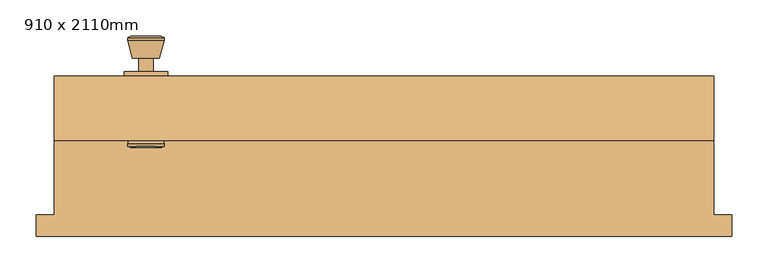
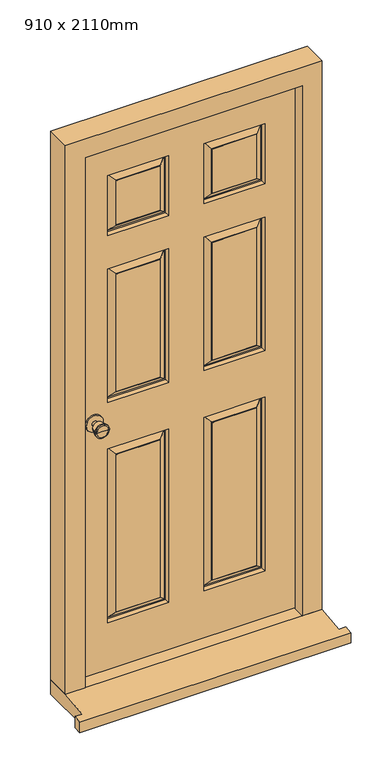
"""IFC4 building model written with IfcOpenShell, lengths in millimetres: door geometry, 910 x 2110mm."""

from ifc_helpers import new_model, si_unit, point, frame, frame_2d, origin, place, context, project, spatial, polyline, circle_curve, trimmed, segment, composite_curve, outline, extrude, faceted_brep, source, transform, mapped, element, save
from ifc_brep_helpers import plane_surface, cylinder_surface, revolved_surface, advanced_brep


def door_910_x_2110mm_2b626780(model_context):
    return source(origin(), model_context, "Body", "SolidModel", [
        advanced_brep(
        [(-328.5, 97.5, 1000.0), (-338.5, 97.5, 1000.0), (-318.5, 97.5, 1000.0), (-308.0241324, 146.5, 1000.0), (-348.9758676, 146.5, 1000.0), (-328.5, 146.5, 1000.0), (-303.5, 144.6721319, 1000.0), (-353.5, 144.6721319, 1000.0), (-303.5, 141.2084537, 1000.0), (-353.5, 141.2084537, 1000.0), (-309.863764, 116.5, 1000.0), (-347.136236, 116.5, 1000.0), (-318.5, 116.5, 1000.0), (-338.5, 116.5, 1000.0)],
        [
            (0, 1),
            (1, 2, circle_curve(frame((-328.5, 97.5, 1000.0), z_axis=(0.0, -1.0, 0.0), x_axis=(-1.0, 0.0, 0.0)), 10.0)),
            (2, 0),
            (2, 1, circle_curve(frame((-328.5, 97.5, 1000.0), z_axis=(0.0, -1.0, 0.0), x_axis=(-1.0, 0.0, 0.0)), 10.0)),
            (3, 4, circle_curve(frame((-328.5, 146.5, 1000.0), z_axis=(0.0, 1.0, 0.0), x_axis=(-1.0, 0.0, 0.0)), 20.4758676)),
            (4, 5),
            (5, 3),
            (4, 3, circle_curve(frame((-328.5, 146.5, 1000.0), z_axis=(0.0, 1.0, 0.0), x_axis=(-1.0, 0.0, 0.0)), 20.4758676)),
            (6, 7, circle_curve(frame((-328.5, 144.6721319, 1000.0), z_axis=(0.0, 1.0, 0.0), x_axis=(-1.0, 0.0, 0.0)), 25.0)),
            (7, 4),
            (3, 6),
            (7, 6, circle_curve(frame((-328.5, 144.6721319, 1000.0), z_axis=(0.0, 1.0, 0.0), x_axis=(-1.0, 0.0, 0.0)), 25.0)),
            (8, 9, circle_curve(frame((-328.5, 141.2084537, 1000.0), z_axis=(0.0, 1.0, 0.0), x_axis=(-1.0, 0.0, 0.0)), 25.0)),
            (9, 7),
            (6, 8),
            (9, 8, circle_curve(frame((-328.5, 141.2084537, 1000.0), z_axis=(0.0, 1.0, 0.0), x_axis=(-1.0, 0.0, 0.0)), 25.0)),
            (10, 11, circle_curve(frame((-328.5, 116.5, 1000.0), z_axis=(0.0, 1.0, 0.0), x_axis=(-1.0, 0.0, 0.0)), 18.636236)),
            (11, 9),
            (8, 10),
            (11, 10, circle_curve(frame((-328.5, 116.5, 1000.0), z_axis=(0.0, 1.0, 0.0), x_axis=(-1.0, 0.0, 0.0)), 18.636236)),
            (12, 13, circle_curve(frame((-328.5, 116.5, 1000.0), z_axis=(0.0, 1.0, 0.0), x_axis=(-1.0, 0.0, 0.0)), 10.0)),
            (13, 11),
            (10, 12),
            (13, 12, circle_curve(frame((-328.5, 116.5, 1000.0), z_axis=(0.0, 1.0, 0.0), x_axis=(-1.0, 0.0, 0.0)), 10.0)),
            (1, 13),
            (12, 2),
        ],
        [
            plane_surface(frame((-328.5, 97.5, 1000.0), z_axis=(0.0, -1.0, 0.0), x_axis=(-1.0, 0.0, 0.0))),
            plane_surface(frame((-328.5, 146.5, 1000.0), z_axis=(0.0, 1.0, 0.0), x_axis=(-1.0, 0.0, 0.0))),
            revolved_surface(polyline([(-348.9758676, 146.5, 1000.0), (-353.5, 144.6721319, 1000.0)]), (-328.5, 97.5, 1000.0), (0.0, -1.0, 0.0)),
            cylinder_surface(frame((-328.5, 97.5, 1000.0), z_axis=(0.0, -1.0, 0.0), x_axis=(-1.0, 0.0, 0.0)), 25.0),
            revolved_surface(polyline([(-353.5, 141.2084537, 1000.0), (-347.136236, 116.5, 1000.0)]), (-328.5, 97.5, 1000.0), (0.0, -1.0, 0.0)),
            plane_surface(frame((-328.5, 116.5, 1000.0), z_axis=(0.0, -1.0, 0.0), x_axis=(-1.0, 0.0, 0.0))),
            cylinder_surface(frame((-328.5, 97.5, 1000.0), z_axis=(0.0, -1.0, 0.0), x_axis=(-1.0, 0.0, 0.0)), 10.0),
        ],
        [
            (0, [[1, 2, 3]]),
            (0, [[-3, 4, -1]]),
            (1, [[5, 6, 7]]),
            (1, [[8, -7, -6]]),
            (2, [[9, 10, -5, 11]]),
            (2, [[12, -11, -8, -10]]),
            (3, [[13, 14, -9, 15]]),
            (3, [[16, -15, -12, -14]]),
            (4, [[17, 18, -13, 19]]),
            (4, [[20, -19, -16, -18]]),
            (5, [[21, 22, -17, 23]]),
            (5, [[24, -23, -20, -22]]),
            (6, [[-2, 25, -21, 26]]),
            (6, [[-4, -26, -24, -25]]),
        ],
    ),
        extrude(outline(composite_curve([segment(trimmed(circle_curve(frame_2d((1000.0, -328.5)), 30.0), [point((1000.0, -358.5))], [point((1000.0, -298.5))], False, "CARTESIAN"), True, "CONTINUOUS"), segment(trimmed(circle_curve(frame_2d((1000.0, -328.5)), 30.0), [point((1000.0, -298.5))], [point((1000.0, -358.5))], False, "CARTESIAN"), True, "CONTINUOUS")], self_intersect=False)), frame((0.0, 91.5, 0.0), z_axis=(0.0, 1.0, 0.0), x_axis=(0.0, 0.0, 1.0)), (0.0, 0.0, 1.0), 6.0),
        advanced_brep(
        [(-328.5, 41.5, 1000.0), (-318.5, 41.5, 1000.0), (-338.5, 41.5, 1000.0), (-308.0241324, -7.5, 1000.0), (-328.5, -7.5, 1000.0), (-348.9758676, -7.5, 1000.0), (-303.5, -5.6721319, 1000.0), (-353.5, -5.6721319, 1000.0), (-303.5, -2.2084537, 1000.0), (-353.5, -2.2084537, 1000.0), (-309.863764, 22.5, 1000.0), (-347.136236, 22.5, 1000.0), (-318.5, 22.5, 1000.0), (-338.5, 22.5, 1000.0)],
        [
            (0, 1),
            (1, 2, circle_curve(frame((-328.5, 41.5, 1000.0), z_axis=(0.0, 1.0, 0.0), x_axis=(-1.0, 0.0, 0.0)), 10.0)),
            (2, 0),
            (2, 1, circle_curve(frame((-328.5, 41.5, 1000.0), z_axis=(0.0, 1.0, 0.0), x_axis=(-1.0, 0.0, 0.0)), 10.0)),
            (3, 4),
            (4, 5),
            (5, 3, circle_curve(frame((-328.5, -7.5, 1000.0), z_axis=(0.0, -1.0, 0.0), x_axis=(-1.0, 0.0, 0.0)), 20.4758676)),
            (3, 5, circle_curve(frame((-328.5, -7.5, 1000.0), z_axis=(0.0, -1.0, 0.0), x_axis=(-1.0, 0.0, 0.0)), 20.4758676)),
            (6, 3),
            (5, 7),
            (7, 6, circle_curve(frame((-328.5, -5.6721319, 1000.0), z_axis=(0.0, -1.0, 0.0), x_axis=(-1.0, 0.0, 0.0)), 25.0)),
            (6, 7, circle_curve(frame((-328.5, -5.6721319, 1000.0), z_axis=(0.0, -1.0, 0.0), x_axis=(-1.0, 0.0, 0.0)), 25.0)),
            (8, 6),
            (7, 9),
            (9, 8, circle_curve(frame((-328.5, -2.2084537, 1000.0), z_axis=(0.0, -1.0, 0.0), x_axis=(-1.0, 0.0, 0.0)), 25.0)),
            (8, 9, circle_curve(frame((-328.5, -2.2084537, 1000.0), z_axis=(0.0, -1.0, 0.0), x_axis=(-1.0, 0.0, 0.0)), 25.0)),
            (10, 8),
            (9, 11),
            (11, 10, circle_curve(frame((-328.5, 22.5, 1000.0), z_axis=(0.0, -1.0, 0.0), x_axis=(-1.0, 0.0, 0.0)), 18.636236)),
            (10, 11, circle_curve(frame((-328.5, 22.5, 1000.0), z_axis=(0.0, -1.0, 0.0), x_axis=(-1.0, 0.0, 0.0)), 18.636236)),
            (12, 10),
            (11, 13),
            (13, 12, circle_curve(frame((-328.5, 22.5, 1000.0), z_axis=(0.0, -1.0, 0.0), x_axis=(-1.0, 0.0, 0.0)), 10.0)),
            (12, 13, circle_curve(frame((-328.5, 22.5, 1000.0), z_axis=(0.0, -1.0, 0.0), x_axis=(-1.0, 0.0, 0.0)), 10.0)),
            (1, 12),
            (13, 2),
        ],
        [
            plane_surface(frame((-328.5, 41.5, 1000.0), z_axis=(0.0, 1.0, 0.0), x_axis=(-1.0, 0.0, 0.0))),
            plane_surface(frame((-328.5, -7.5, 1000.0), z_axis=(0.0, -1.0, 0.0), x_axis=(-1.0, 0.0, 0.0))),
            revolved_surface(polyline([(-348.9758676, -7.5, 1000.0), (-353.5, -5.6721319, 1000.0)]), (-328.5, 41.5, 1000.0), (0.0, 1.0, 0.0)),
            cylinder_surface(frame((-328.5, 41.5, 1000.0), z_axis=(0.0, 1.0, 0.0), x_axis=(-1.0, 0.0, 0.0)), 25.0),
            revolved_surface(polyline([(-353.5, -2.2084537, 1000.0), (-347.136236, 22.5, 1000.0)]), (-328.5, 41.5, 1000.0), (0.0, 1.0, 0.0)),
            plane_surface(frame((-328.5, 22.5, 1000.0), z_axis=(0.0, 1.0, 0.0), x_axis=(-1.0, 0.0, 0.0))),
            cylinder_surface(frame((-328.5, 41.5, 1000.0), z_axis=(0.0, 1.0, 0.0), x_axis=(-1.0, 0.0, 0.0)), 10.0),
        ],
        [
            (0, [[1, 2, 3]]),
            (0, [[-3, 4, -1]]),
            (1, [[5, 6, 7]]),
            (1, [[-6, -5, 8]]),
            (2, [[9, -7, 10, 11]]),
            (2, [[-10, -8, -9, 12]]),
            (3, [[13, -11, 14, 15]]),
            (3, [[-14, -12, -13, 16]]),
            (4, [[17, -15, 18, 19]]),
            (4, [[-18, -16, -17, 20]]),
            (5, [[21, -19, 22, 23]]),
            (5, [[-22, -20, -21, 24]]),
            (6, [[25, -23, 26, -2]]),
            (6, [[-26, -24, -25, -4]]),
        ],
    ),
        extrude(outline(composite_curve([segment(trimmed(circle_curve(frame_2d((1000.0, -328.5)), 30.0), [point((1000.0, -358.5))], [point((1000.0, -298.5))], False, "CARTESIAN"), True, "CONTINUOUS"), segment(trimmed(circle_curve(frame_2d((1000.0, -328.5)), 30.0), [point((1000.0, -298.5))], [point((1000.0, -358.5))], False, "CARTESIAN"), True, "CONTINUOUS")], self_intersect=False)), frame((0.0, 41.5, 0.0), z_axis=(0.0, 1.0, 0.0), x_axis=(0.0, 0.0, 1.0)), (0.0, 0.0, 1.0), 6.0),
        faceted_brep([(384.5, 2.5, 54.5), (384.5, 44.5, 54.5), (406.5, 44.5, 54.5), (406.5, 91.5, 54.5), (455.0, 91.5, 54.5), (455.0, 2.5, 54.5), (455.0, 2.5, 2110.0), (-455.0, 2.5, 2110.0), (-455.0, 2.5, 54.5), (-384.5, 2.5, 54.5), (-384.5, 2.5, 2039.5), (384.5, 2.5, 2039.5), (455.0, 91.5, 2110.0), (406.5, 91.5, 2061.5), (-406.5, 91.5, 2061.5), (-406.5, 91.5, 54.5), (-455.0, 91.5, 54.5), (-455.0, 91.5, 2110.0), (406.5, 44.5, 2061.5), (384.5, 44.5, 2039.5), (-384.5, 44.5, 2039.5), (-384.5, 44.5, 54.5), (-406.5, 44.5, 54.5), (-406.5, 44.5, 2061.5)], [[[0, 1, 2, 3, 4, 5]], [[5, 6, 7, 8, 9, 10, 11, 0]], [[4, 12, 6, 5]], [[3, 13, 14, 15, 16, 17, 12, 4]], [[2, 18, 13, 3]], [[1, 19, 20, 21, 22, 23, 18, 2]], [[0, 11, 19, 1]], [[9, 21, 20, 10]], [[8, 16, 15, 22, 21, 9]], [[7, 17, 16, 8]], [[14, 23, 22, 15]], [[6, 12, 17, 7]], [[13, 18, 23, 14]], [[10, 20, 19, 11]]]),
        faceted_brep([(480.0, -130.0, 0.0), (480.0, -100.0, 0.0), (480.0, -100.0, 42.1959171), (480.0, -130.0, 38.5947221), (-480.0, -130.0, 38.5947221), (-480.0, -100.0, 42.1959171), (-480.0, -100.0, 0.0), (-480.0, -130.0, 0.0), (-455.0, -100.0, 0.0), (-455.0, 91.5, 0.0), (455.0, 91.5, 0.0), (455.0, -100.0, 0.0), (455.0, -100.0, 42.1959171), (455.0, 2.5, 54.5), (-455.0, 2.5, 54.5), (-455.0, -100.0, 42.1959171), (455.0, 91.5, 54.5), (-455.0, 91.5, 54.5)], [[[0, 1, 2, 3]], [[4, 5, 6, 7]], [[7, 6, 8, 9, 10, 11, 1, 0]], [[3, 4, 7, 0]], [[3, 2, 12, 13, 14, 15, 5, 4]], [[14, 13, 16, 17]], [[17, 16, 10, 9]], [[15, 14, 17, 9, 8]], [[8, 6, 5, 15]], [[11, 10, 16, 13, 12]], [[12, 2, 1, 11]]]),
        faceted_brep([(403.5, 91.5, 58.5), (-404.4250294, 91.5, 58.5), (-404.4250294, 91.5, 2058.5), (403.5, 91.5, 2058.5), (-62.5, 91.5, 883.5), (-278.5, 91.5, 883.5), (-278.5, 91.5, 233.5), (-62.5, 91.5, 233.5), (278.5, 91.5, 883.5), (62.5, 91.5, 883.5), (62.5, 91.5, 233.5), (278.5, 91.5, 233.5), (-62.5, 91.5, 1558.5), (-278.5, 91.5, 1558.5), (-278.5, 91.5, 1058.5), (-62.5, 91.5, 1058.5), (278.5, 91.5, 1558.5), (62.5, 91.5, 1558.5), (62.5, 91.5, 1058.5), (278.5, 91.5, 1058.5), (-62.5, 91.5, 1908.5), (-278.5, 91.5, 1908.5), (-278.5, 91.5, 1683.5), (-62.5, 91.5, 1683.5), (62.5, 91.5, 1683.5), (278.5, 91.5, 1683.5), (278.5, 91.5, 1908.5), (62.5, 91.5, 1908.5), (-92.5, 91.5, 263.5), (-248.5, 91.5, 263.5), (-248.5, 91.5, 853.5), (-92.5, 91.5, 853.5), (248.5, 91.5, 263.5), (92.5, 91.5, 263.5), (92.5, 91.5, 853.5), (248.5, 91.5, 853.5), (-92.5, 91.5, 1088.5), (-248.5, 91.5, 1088.5), (-248.5, 91.5, 1528.5), (-92.5, 91.5, 1528.5), (248.5, 91.5, 1088.5), (92.5, 91.5, 1088.5), (92.5, 91.5, 1528.5), (248.5, 91.5, 1528.5), (-92.5, 91.5, 1713.5), (-248.5, 91.5, 1713.5), (-248.5, 91.5, 1878.5), (-92.5, 91.5, 1878.5), (92.5, 91.5, 1878.5), (248.5, 91.5, 1878.5), (248.5, 91.5, 1713.5), (92.5, 91.5, 1713.5), (403.5, 47.5, 58.5), (403.5, 47.5, 2058.5), (-404.4250294, 47.5, 2058.5), (-404.4250294, 47.5, 58.5), (62.5, 47.5, 883.5), (278.5, 47.5, 883.5), (278.5, 47.5, 233.5), (62.5, 47.5, 233.5), (-278.5, 47.5, 883.5), (-62.5, 47.5, 883.5), (-62.5, 47.5, 233.5), (-278.5, 47.5, 233.5), (62.5, 47.5, 1558.5), (278.5, 47.5, 1558.5), (278.5, 47.5, 1058.5), (62.5, 47.5, 1058.5), (-278.5, 47.5, 1558.5), (-62.5, 47.5, 1558.5), (-62.5, 47.5, 1058.5), (-278.5, 47.5, 1058.5), (62.5, 47.5, 1908.5), (278.5, 47.5, 1908.5), (278.5, 47.5, 1683.5), (62.5, 47.5, 1683.5), (-278.5, 47.5, 1908.5), (-62.5, 47.5, 1908.5), (-62.5, 47.5, 1683.5), (-278.5, 47.5, 1683.5), (92.5, 47.5, 263.5), (248.5, 47.5, 263.5), (248.5, 47.5, 853.5), (92.5, 47.5, 853.5), (-248.5, 47.5, 263.5), (-92.5, 47.5, 263.5), (-92.5, 47.5, 853.5), (-248.5, 47.5, 853.5), (92.5, 47.5, 1088.5), (248.5, 47.5, 1088.5), (248.5, 47.5, 1528.5), (92.5, 47.5, 1528.5), (-248.5, 47.5, 1088.5), (-92.5, 47.5, 1088.5), (-92.5, 47.5, 1528.5), (-248.5, 47.5, 1528.5), (92.5, 47.5, 1713.5), (248.5, 47.5, 1713.5), (248.5, 47.5, 1878.5), (92.5, 47.5, 1878.5), (-248.5, 47.5, 1713.5), (-92.5, 47.5, 1713.5), (-92.5, 47.5, 1878.5), (-248.5, 47.5, 1878.5), (65.5, 62.5, 880.5), (65.5, 62.5, 236.5), (90.5, 48.5, 855.5), (70.5, 62.5, 875.5), (70.5, 62.5, 241.5), (90.5, 48.5, 261.5), (92.5, 48.5, 853.5), (92.5, 48.5, 263.5), (275.5, 62.5, 236.5), (270.5, 62.5, 241.5), (250.5, 48.5, 261.5), (248.5, 48.5, 263.5), (275.5, 62.5, 880.5), (270.5, 62.5, 875.5), (250.5, 48.5, 855.5), (248.5, 48.5, 853.5), (-275.5, 62.5, 880.5), (-275.5, 62.5, 236.5), (-250.5, 48.5, 855.5), (-270.5, 62.5, 875.5), (-270.5, 62.5, 241.5), (-250.5, 48.5, 261.5), (-248.5, 48.5, 853.5), (-248.5, 48.5, 263.5), (-65.5, 62.5, 236.5), (-70.5, 62.5, 241.5), (-90.5, 48.5, 261.5), (-92.5, 48.5, 263.5), (-65.5, 62.5, 880.5), (-70.5, 62.5, 875.5), (-90.5, 48.5, 855.5), (-92.5, 48.5, 853.5), (-92.5, 90.5, 263.5), (-92.5, 90.5, 853.5), (-70.5, 76.5, 241.5), (-90.5, 90.5, 261.5), (-90.5, 90.5, 855.5), (-70.5, 76.5, 875.5), (-65.5, 76.5, 236.5), (-65.5, 76.5, 880.5), (-248.5, 90.5, 853.5), (-250.5, 90.5, 855.5), (-270.5, 76.5, 875.5), (-275.5, 76.5, 880.5), (-248.5, 90.5, 263.5), (-250.5, 90.5, 261.5), (-270.5, 76.5, 241.5), (-275.5, 76.5, 236.5), (275.5, 76.5, 880.5), (275.5, 76.5, 236.5), (250.5, 90.5, 855.5), (270.5, 76.5, 875.5), (270.5, 76.5, 241.5), (250.5, 90.5, 261.5), (248.5, 90.5, 853.5), (248.5, 90.5, 263.5), (65.5, 76.5, 236.5), (70.5, 76.5, 241.5), (90.5, 90.5, 261.5), (92.5, 90.5, 263.5), (65.5, 76.5, 880.5), (70.5, 76.5, 875.5), (90.5, 90.5, 855.5), (92.5, 90.5, 853.5), (92.5, 48.5, 1088.5), (92.5, 48.5, 1528.5), (70.5, 62.5, 1066.5), (90.5, 48.5, 1086.5), (90.5, 48.5, 1530.5), (70.5, 62.5, 1550.5), (65.5, 62.5, 1061.5), (65.5, 62.5, 1555.5), (248.5, 48.5, 1528.5), (250.5, 48.5, 1530.5), (270.5, 62.5, 1550.5), (275.5, 62.5, 1555.5), (248.5, 48.5, 1088.5), (250.5, 48.5, 1086.5), (270.5, 62.5, 1066.5), (275.5, 62.5, 1061.5), (-248.5, 48.5, 1088.5), (-248.5, 48.5, 1528.5), (-270.5, 62.5, 1066.5), (-250.5, 48.5, 1086.5), (-250.5, 48.5, 1530.5), (-270.5, 62.5, 1550.5), (-275.5, 62.5, 1061.5), (-275.5, 62.5, 1555.5), (-92.5, 48.5, 1528.5), (-90.5, 48.5, 1530.5), (-70.5, 62.5, 1550.5), (-65.5, 62.5, 1555.5), (-92.5, 48.5, 1088.5), (-90.5, 48.5, 1086.5), (-70.5, 62.5, 1066.5), (-65.5, 62.5, 1061.5), (-92.5, 90.5, 1088.5), (-92.5, 90.5, 1528.5), (-70.5, 76.5, 1066.5), (-90.5, 90.5, 1086.5), (-90.5, 90.5, 1530.5), (-70.5, 76.5, 1550.5), (-65.5, 76.5, 1061.5), (-65.5, 76.5, 1555.5), (-248.5, 90.5, 1528.5), (-250.5, 90.5, 1530.5), (-270.5, 76.5, 1550.5), (-275.5, 76.5, 1555.5), (-248.5, 90.5, 1088.5), (-250.5, 90.5, 1086.5), (-270.5, 76.5, 1066.5), (-275.5, 76.5, 1061.5), (275.5, 76.5, 1555.5), (275.5, 76.5, 1061.5), (250.5, 90.5, 1530.5), (270.5, 76.5, 1550.5), (270.5, 76.5, 1066.5), (250.5, 90.5, 1086.5), (248.5, 90.5, 1528.5), (248.5, 90.5, 1088.5), (65.5, 76.5, 1061.5), (70.5, 76.5, 1066.5), (90.5, 90.5, 1086.5), (92.5, 90.5, 1088.5), (65.5, 76.5, 1555.5), (70.5, 76.5, 1550.5), (90.5, 90.5, 1530.5), (92.5, 90.5, 1528.5), (92.5, 48.5, 1713.5), (92.5, 48.5, 1878.5), (70.5, 62.5, 1691.5), (90.5, 48.5, 1711.5), (90.5, 48.5, 1880.5), (70.5, 62.5, 1900.5), (65.5, 62.5, 1686.5), (65.5, 62.5, 1905.5), (248.5, 48.5, 1878.5), (250.5, 48.5, 1880.5), (270.5, 62.5, 1900.5), (275.5, 62.5, 1905.5), (248.5, 48.5, 1713.5), (250.5, 48.5, 1711.5), (270.5, 62.5, 1691.5), (275.5, 62.5, 1686.5), (-248.5, 48.5, 1713.5), (-248.5, 48.5, 1878.5), (-270.5, 62.5, 1691.5), (-250.5, 48.5, 1711.5), (-250.5, 48.5, 1880.5), (-270.5, 62.5, 1900.5), (-275.5, 62.5, 1686.5), (-275.5, 62.5, 1905.5), (-92.5, 48.5, 1878.5), (-90.5, 48.5, 1880.5), (-70.5, 62.5, 1900.5), (-65.5, 62.5, 1905.5), (-92.5, 48.5, 1713.5), (-90.5, 48.5, 1711.5), (-70.5, 62.5, 1691.5), (-65.5, 62.5, 1686.5), (-92.5, 90.5, 1713.5), (-92.5, 90.5, 1878.5), (-70.5, 76.5, 1691.5), (-90.5, 90.5, 1711.5), (-90.5, 90.5, 1880.5), (-70.5, 76.5, 1900.5), (-65.5, 76.5, 1686.5), (-65.5, 76.5, 1905.5), (-248.5, 90.5, 1878.5), (-250.5, 90.5, 1880.5), (-270.5, 76.5, 1900.5), (-275.5, 76.5, 1905.5), (-248.5, 90.5, 1713.5), (-250.5, 90.5, 1711.5), (-270.5, 76.5, 1691.5), (-275.5, 76.5, 1686.5), (92.5, 90.5, 1878.5), (92.5, 90.5, 1713.5), (70.5, 76.5, 1900.5), (90.5, 90.5, 1880.5), (90.5, 90.5, 1711.5), (70.5, 76.5, 1691.5), (65.5, 76.5, 1905.5), (65.5, 76.5, 1686.5), (248.5, 90.5, 1713.5), (250.5, 90.5, 1711.5), (270.5, 76.5, 1691.5), (275.5, 76.5, 1686.5), (248.5, 90.5, 1878.5), (250.5, 90.5, 1880.5), (270.5, 76.5, 1900.5), (275.5, 76.5, 1905.5)], [[[0, 1, 2, 3], [4, 5, 6, 7], [8, 9, 10, 11], [12, 13, 14, 15], [16, 17, 18, 19], [20, 21, 22, 23], [24, 25, 26, 27]], [[28, 29, 30, 31]], [[32, 33, 34, 35]], [[36, 37, 38, 39]], [[40, 41, 42, 43]], [[44, 45, 46, 47]], [[48, 49, 50, 51]], [[52, 53, 54, 55], [56, 57, 58, 59], [60, 61, 62, 63], [64, 65, 66, 67], [68, 69, 70, 71], [72, 73, 74, 75], [76, 77, 78, 79]], [[80, 81, 82, 83]], [[84, 85, 86, 87]], [[88, 89, 90, 91]], [[92, 93, 94, 95]], [[96, 97, 98, 99]], [[100, 101, 102, 103]], [[3, 53, 52, 0]], [[2, 54, 53, 3]], [[1, 55, 54, 2]], [[0, 52, 55, 1]], [[104, 56, 59, 105]], [[106, 107, 108, 109]], [[80, 83, 110, 111]], [[59, 58, 112, 105]], [[108, 113, 114, 109]], [[111, 115, 81, 80]], [[58, 57, 116, 112]], [[113, 117, 118, 114]], [[115, 119, 82, 81]], [[104, 116, 57, 56]], [[105, 112, 116, 104], [107, 117, 113, 108]], [[106, 118, 117, 107]], [[109, 114, 118, 106], [110, 119, 115, 111]], [[83, 82, 119, 110]], [[120, 60, 63, 121]], [[122, 123, 124, 125]], [[84, 87, 126, 127]], [[63, 62, 128, 121]], [[124, 129, 130, 125]], [[127, 131, 85, 84]], [[62, 61, 132, 128]], [[129, 133, 134, 130]], [[131, 135, 86, 85]], [[120, 132, 61, 60]], [[121, 128, 132, 120], [123, 133, 129, 124]], [[122, 134, 133, 123]], [[125, 130, 134, 122], [126, 135, 131, 127]], [[87, 86, 135, 126]], [[136, 28, 31, 137]], [[138, 139, 140, 141]], [[4, 7, 142, 143]], [[31, 30, 144, 137]], [[140, 145, 146, 141]], [[143, 147, 5, 4]], [[30, 29, 148, 144]], [[145, 149, 150, 146]], [[147, 151, 6, 5]], [[136, 148, 29, 28]], [[139, 149, 145, 140], [137, 144, 148, 136]], [[138, 150, 149, 139]], [[142, 151, 147, 143], [141, 146, 150, 138]], [[7, 6, 151, 142]], [[152, 8, 11, 153]], [[154, 155, 156, 157]], [[32, 35, 158, 159]], [[11, 10, 160, 153]], [[156, 161, 162, 157]], [[159, 163, 33, 32]], [[10, 9, 164, 160]], [[161, 165, 166, 162]], [[163, 167, 34, 33]], [[152, 164, 9, 8]], [[153, 160, 164, 152], [155, 165, 161, 156]], [[154, 166, 165, 155]], [[157, 162, 166, 154], [158, 167, 163, 159]], [[35, 34, 167, 158]], [[168, 88, 91, 169]], [[170, 171, 172, 173]], [[64, 67, 174, 175]], [[91, 90, 176, 169]], [[172, 177, 178, 173]], [[175, 179, 65, 64]], [[90, 89, 180, 176]], [[177, 181, 182, 178]], [[179, 183, 66, 65]], [[168, 180, 89, 88]], [[171, 181, 177, 172], [169, 176, 180, 168]], [[170, 182, 181, 171]], [[174, 183, 179, 175], [173, 178, 182, 170]], [[67, 66, 183, 174]], [[184, 92, 95, 185]], [[186, 187, 188, 189]], [[68, 71, 190, 191]], [[95, 94, 192, 185]], [[188, 193, 194, 189]], [[191, 195, 69, 68]], [[94, 93, 196, 192]], [[193, 197, 198, 194]], [[195, 199, 70, 69]], [[184, 196, 93, 92]], [[187, 197, 193, 188], [185, 192, 196, 184]], [[186, 198, 197, 187]], [[190, 199, 195, 191], [189, 194, 198, 186]], [[71, 70, 199, 190]], [[200, 36, 39, 201]], [[202, 203, 204, 205]], [[12, 15, 206, 207]], [[39, 38, 208, 201]], [[204, 209, 210, 205]], [[207, 211, 13, 12]], [[38, 37, 212, 208]], [[209, 213, 214, 210]], [[211, 215, 14, 13]], [[200, 212, 37, 36]], [[203, 213, 209, 204], [201, 208, 212, 200]], [[202, 214, 213, 203]], [[206, 215, 211, 207], [205, 210, 214, 202]], [[15, 14, 215, 206]], [[216, 16, 19, 217]], [[218, 219, 220, 221]], [[40, 43, 222, 223]], [[19, 18, 224, 217]], [[220, 225, 226, 221]], [[223, 227, 41, 40]], [[18, 17, 228, 224]], [[225, 229, 230, 226]], [[227, 231, 42, 41]], [[216, 228, 17, 16]], [[217, 224, 228, 216], [219, 229, 225, 220]], [[218, 230, 229, 219]], [[221, 226, 230, 218], [222, 231, 227, 223]], [[43, 42, 231, 222]], [[232, 96, 99, 233]], [[234, 235, 236, 237]], [[72, 75, 238, 239]], [[99, 98, 240, 233]], [[236, 241, 242, 237]], [[239, 243, 73, 72]], [[98, 97, 244, 240]], [[241, 245, 246, 242]], [[243, 247, 74, 73]], [[232, 244, 97, 96]], [[235, 245, 241, 236], [233, 240, 244, 232]], [[234, 246, 245, 235]], [[238, 247, 243, 239], [237, 242, 246, 234]], [[75, 74, 247, 238]], [[248, 100, 103, 249]], [[250, 251, 252, 253]], [[76, 79, 254, 255]], [[103, 102, 256, 249]], [[252, 257, 258, 253]], [[255, 259, 77, 76]], [[102, 101, 260, 256]], [[257, 261, 262, 258]], [[259, 263, 78, 77]], [[248, 260, 101, 100]], [[251, 261, 257, 252], [249, 256, 260, 248]], [[250, 262, 261, 251]], [[254, 263, 259, 255], [253, 258, 262, 250]], [[79, 78, 263, 254]], [[264, 44, 47, 265]], [[266, 267, 268, 269]], [[20, 23, 270, 271]], [[47, 46, 272, 265]], [[268, 273, 274, 269]], [[271, 275, 21, 20]], [[46, 45, 276, 272]], [[273, 277, 278, 274]], [[275, 279, 22, 21]], [[264, 276, 45, 44]], [[267, 277, 273, 268], [265, 272, 276, 264]], [[266, 278, 277, 267]], [[270, 279, 275, 271], [269, 274, 278, 266]], [[23, 22, 279, 270]], [[280, 48, 51, 281]], [[282, 283, 284, 285]], [[24, 27, 286, 287]], [[51, 50, 288, 281]], [[284, 289, 290, 285]], [[287, 291, 25, 24]], [[50, 49, 292, 288]], [[289, 293, 294, 290]], [[291, 295, 26, 25]], [[280, 292, 49, 48]], [[283, 293, 289, 284], [281, 288, 292, 280]], [[282, 294, 293, 283]], [[286, 295, 291, 287], [285, 290, 294, 282]], [[27, 26, 295, 286]]]),
    ])


if __name__ == "__main__":
    model = new_model("IFC4")
    model_context = context("Model", 3, world=origin())
    ifc_project = project(units=[si_unit("LENGTHUNIT", "METRE", prefix="MILLI")], contexts=[model_context])
    site = spatial("IfcSite", under=ifc_project)
    building = spatial("IfcBuilding", under=site)
    placement = place(None, origin())
    door_910_x_2110mm_shape = door_910_x_2110mm_2b626780(model_context)
    element("IfcDoor", 1, ObjectType="910 x 2110mm", at=placement, inside=building, context=model_context, shape_type="MappedRepresentation", body=[
        mapped(door_910_x_2110mm_shape, transform((0.0, 0.0, 0.0), x_axis=(1.0, 0.0, 0.0), y_axis=(0.0, 1.0, 0.0), z_axis=(0.0, 0.0, 1.0))),
    ])
    save(model, "model.ifc")
